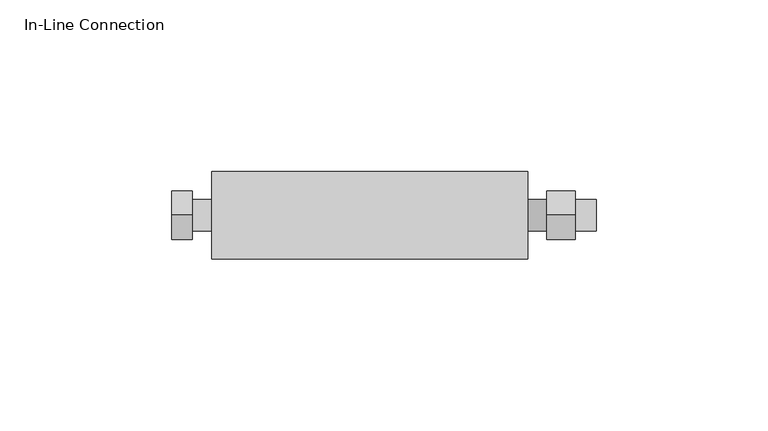
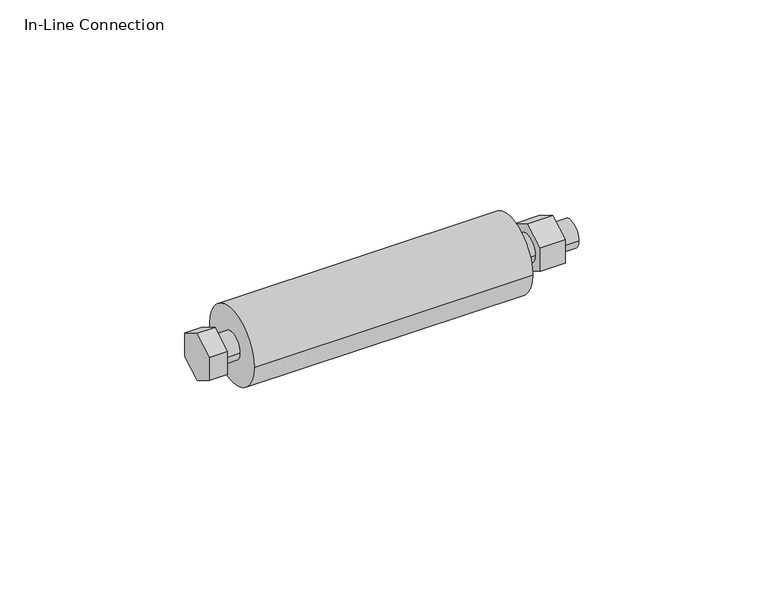
"""IFC4 building model written with IfcOpenShell, lengths in millimetres: furniture geometry, In-Line Connection."""

from ifc_helpers import new_model, si_unit, frame, origin, place, context, project, spatial, circle_curve, source, transform, mapped, element, save
from ifc_brep_helpers import plane_surface, cylinder_surface, advanced_brep


def in_line_connection_7f068b65(model_context):
    return source(origin(), model_context, "Body", "AdvancedBrep", [
        advanced_brep(
        [(-51.5558874, -38.7016666, 473.786512), (-51.5558874, -45.7858034, 469.7541273), (-51.5558874, -45.8357242, 461.6028926), (-51.5558874, -38.8015083, 457.4840425), (-51.5558874, -31.7173715, 461.5164272), (-51.5558874, -31.6674507, 469.667662), (-51.5558874, -43.2953145, 465.6352773), (-51.5558874, -34.2078604, 465.6352773), (-57.5056015, -38.7016666, 473.786512), (-57.5056015, -31.6674507, 469.667662), (-57.5056015, -31.7173715, 461.5164272), (-57.5056015, -38.8015083, 457.4840425), (-57.5056015, -45.8357242, 461.6028926), (-57.5056015, -45.7858034, 469.7541273), (-45.973997, -34.2078604, 465.6352773), (-45.973997, -43.2953145, 465.6352773), (45.9758779, -26.0627283, 465.6352773), (45.9758779, -51.4404466, 465.6352773), (45.9758779, -43.2953145, 465.6352773), (45.9758779, -34.2078604, 465.6352773), (-45.973997, -26.0627283, 465.6352773), (-45.973997, -51.4404466, 465.6352773), (51.5614603, -43.2953145, 465.6352773), (51.5614603, -34.2078604, 465.6352773), (51.5614603, -38.7016666, 473.786512), (51.5614603, -31.6674507, 469.667662), (51.5614603, -31.7173715, 461.5164272), (51.5614603, -38.8015083, 457.4840425), (51.5614603, -45.8357242, 461.6028926), (51.5614603, -45.7858034, 469.7541273), (59.9070492, -38.7016666, 473.786512), (59.9070492, -45.7858034, 469.7541273), (59.9070492, -45.8357242, 461.6028926), (59.9070492, -38.8015083, 457.4840425), (59.9070492, -31.7173715, 461.5164272), (59.9070492, -31.6674507, 469.667662), (59.9070492, -34.2078604, 465.6352773), (59.9070492, -43.2953145, 465.6352773), (65.9130007, -43.2953145, 465.6352773), (65.9130007, -34.2078604, 465.6352773)],
        [
            (0, 1),
            (1, 2),
            (2, 3),
            (3, 4),
            (4, 5),
            (5, 0),
            (6, 7, circle_curve(frame((-51.5558874, -38.7515875, 465.6352773), z_axis=(-1.0, 0.0, 0.0), x_axis=(0.0, -1.0, 0.0)), 4.543727)),
            (7, 6, circle_curve(frame((-51.5558874, -38.7515875, 465.6352773), z_axis=(-1.0, 0.0, 0.0), x_axis=(0.0, -1.0, 0.0)), 4.543727)),
            (8, 9),
            (9, 10),
            (10, 11),
            (11, 12),
            (12, 13),
            (13, 8),
            (0, 8),
            (13, 1),
            (12, 2),
            (11, 3),
            (10, 4),
            (9, 5),
            (14, 7),
            (6, 15),
            (15, 14, circle_curve(frame((-45.973997, -38.7515875, 465.6352773), z_axis=(-1.0, 0.0, 0.0), x_axis=(0.0, -1.0, 0.0)), 4.543727)),
            (14, 15, circle_curve(frame((-45.973997, -38.7515875, 465.6352773), z_axis=(-1.0, 0.0, 0.0), x_axis=(0.0, -1.0, 0.0)), 4.543727)),
            (16, 17, circle_curve(frame((45.9758779, -38.7515875, 465.6352773), z_axis=(1.0, 0.0, 0.0), x_axis=(0.0, -1.0, 0.0)), 12.6888592)),
            (17, 16, circle_curve(frame((45.9758779, -38.7515875, 465.6352773), z_axis=(1.0, 0.0, 0.0), x_axis=(0.0, -1.0, 0.0)), 12.6888592)),
            (18, 19, circle_curve(frame((45.9758779, -38.7515875, 465.6352773), z_axis=(-1.0, 0.0, 0.0), x_axis=(0.0, -1.0, 0.0)), 4.543727)),
            (19, 18, circle_curve(frame((45.9758779, -38.7515875, 465.6352773), z_axis=(-1.0, 0.0, 0.0), x_axis=(0.0, -1.0, 0.0)), 4.543727)),
            (20, 21, circle_curve(frame((-45.973997, -38.7515875, 465.6352773), z_axis=(-1.0, 0.0, 0.0), x_axis=(0.0, -1.0, 0.0)), 12.6888592)),
            (21, 20, circle_curve(frame((-45.973997, -38.7515875, 465.6352773), z_axis=(-1.0, 0.0, 0.0), x_axis=(0.0, -1.0, 0.0)), 12.6888592)),
            (16, 20),
            (21, 17),
            (18, 22),
            (22, 23, circle_curve(frame((51.5614603, -38.7515875, 465.6352773), z_axis=(-1.0, 0.0, 0.0), x_axis=(0.0, -1.0, 0.0)), 4.543727)),
            (23, 19),
            (23, 22, circle_curve(frame((51.5614603, -38.7515875, 465.6352773), z_axis=(-1.0, 0.0, 0.0), x_axis=(0.0, -1.0, 0.0)), 4.543727)),
            (24, 25),
            (25, 26),
            (26, 27),
            (27, 28),
            (28, 29),
            (29, 24),
            (30, 31),
            (31, 32),
            (32, 33),
            (33, 34),
            (34, 35),
            (35, 30),
            (36, 37, circle_curve(frame((59.9070492, -38.7515875, 465.6352773), z_axis=(-1.0, 0.0, 0.0), x_axis=(0.0, 1.0, 0.0)), 4.543727)),
            (37, 36, circle_curve(frame((59.9070492, -38.7515875, 465.6352773), z_axis=(-1.0, 0.0, 0.0), x_axis=(0.0, 1.0, 0.0)), 4.543727)),
            (29, 31),
            (30, 24),
            (28, 32),
            (27, 33),
            (26, 34),
            (25, 35),
            (38, 39, circle_curve(frame((65.9130007, -38.7515875, 465.6352773), z_axis=(1.0, 0.0, 0.0), x_axis=(0.0, 1.0, 0.0)), 4.543727)),
            (39, 38, circle_curve(frame((65.9130007, -38.7515875, 465.6352773), z_axis=(1.0, 0.0, 0.0), x_axis=(0.0, 1.0, 0.0)), 4.543727)),
            (38, 37),
            (36, 39),
        ],
        [
            plane_surface(frame((-51.5558874, -38.7016666, 473.786512), z_axis=(1.0, 0.0, 0.0), x_axis=(0.0, -0.8690712682551031, -0.49468690167970564))),
            plane_surface(frame((-57.5056015, -38.7016666, 473.786512), z_axis=(-1.0, 0.0, 0.0), x_axis=(0.0, 0.8690712682551031, 0.49468690167970564))),
            plane_surface(frame((-51.5558874, -38.7016666, 473.786512), z_axis=(0.0, -0.49468690167970564, 0.8690712682551031), x_axis=(-1.0, 0.0, 0.0))),
            plane_surface(frame((-51.5558874, -45.7858034, 469.7541273), z_axis=(0.0, -0.9999812468479327, 0.006124210353511329), x_axis=(-1.0, 0.0, 0.0))),
            plane_surface(frame((-51.5558874, -45.8357242, 461.6028926), z_axis=(0.0, -0.5052943451682294, -0.8629470579015901), x_axis=(-1.0, 0.0, 0.0))),
            plane_surface(frame((-51.5558874, -38.8015083, 457.4840425), z_axis=(0.0, 0.49468690167970475, -0.8690712682551036), x_axis=(-1.0, 0.0, 0.0))),
            plane_surface(frame((-51.5558874, -31.7173715, 461.5164272), z_axis=(0.0, 0.9999812468479327, -0.006124210353513924), x_axis=(-1.0, 0.0, 0.0))),
            plane_surface(frame((-51.5558874, -31.6674507, 469.667662), z_axis=(0.0, 0.5052943451682274, 0.8629470579015913), x_axis=(-1.0, 0.0, 0.0))),
            cylinder_surface(frame((-51.5558874, -38.7515875, 465.6352773), z_axis=(1.0, 0.0, 0.0), x_axis=(0.0, -1.0, 0.0)), 4.543727),
            plane_surface(frame((45.9758779, -51.4404466, 465.6352773), z_axis=(1.0, 0.0, 0.0), x_axis=(0.0, 0.0, -1.0))),
            plane_surface(frame((-45.973997, -51.4404466, 465.6352773), z_axis=(-1.0, 0.0, 0.0), x_axis=(0.0, 0.0, 1.0))),
            cylinder_surface(frame((-45.973997, -38.7515875, 465.6352773), z_axis=(1.0, 0.0, 0.0), x_axis=(0.0, -1.0, 0.0)), 12.6888592),
            cylinder_surface(frame((51.5614603, -38.7515875, 465.6352773), z_axis=(-1.0, 0.0, 0.0), x_axis=(0.0, -1.0, 0.0)), 4.543727),
            plane_surface(frame((51.5614603, -31.6674507, 469.667662), z_axis=(-1.0, 0.0, 0.0), x_axis=(0.0, 0.8629470579015913, -0.5052943451682274))),
            plane_surface(frame((59.9070492, -31.6674507, 469.667662), z_axis=(1.0, 0.0, 0.0), x_axis=(0.0, -0.8629470579015913, 0.5052943451682274))),
            plane_surface(frame((51.5614603, -45.7858034, 469.7541273), z_axis=(0.0, -0.49468690167970564, 0.8690712682551031), x_axis=(1.0, 0.0, 0.0))),
            plane_surface(frame((51.5614603, -45.8357242, 461.6028926), z_axis=(0.0, -0.9999812468479327, 0.006124210353511329), x_axis=(1.0, 0.0, 0.0))),
            plane_surface(frame((51.5614603, -38.8015083, 457.4840425), z_axis=(0.0, -0.5052943451682294, -0.8629470579015901), x_axis=(1.0, 0.0, 0.0))),
            plane_surface(frame((51.5614603, -31.7173715, 461.5164272), z_axis=(0.0, 0.49468690167970475, -0.8690712682551036), x_axis=(1.0, 0.0, 0.0))),
            plane_surface(frame((51.5614603, -31.6674507, 469.667662), z_axis=(0.0, 0.9999812468479327, -0.006124210353513924), x_axis=(1.0, 0.0, 0.0))),
            plane_surface(frame((51.5614603, -38.7016666, 473.786512), z_axis=(0.0, 0.5052943451682274, 0.8629470579015913), x_axis=(1.0, 0.0, 0.0))),
            plane_surface(frame((65.9130007, -34.2078604, 465.6352773), z_axis=(1.0, 0.0, 0.0), x_axis=(0.0, 0.0, 1.0))),
            cylinder_surface(frame((59.9070492, -38.7515875, 465.6352773), z_axis=(1.0, 0.0, 0.0), x_axis=(0.0, 1.0, 0.0)), 4.543727),
        ],
        [
            (0, [[1, 2, 3, 4, 5, 6], [7, 8]]),
            (1, [[9, 10, 11, 12, 13, 14]]),
            (2, [[-1, 15, -14, 16]]),
            (3, [[-2, -16, -13, 17]]),
            (4, [[-3, -17, -12, 18]]),
            (5, [[-4, -18, -11, 19]]),
            (6, [[-5, -19, -10, 20]]),
            (7, [[-6, -20, -9, -15]]),
            (8, [[21, -7, 22, 23]]),
            (8, [[-21, 24, -22, -8]]),
            (9, [[25, 26], [27, 28]]),
            (10, [[29, 30], [-23, -24]]),
            (11, [[-25, 31, -30, 32]]),
            (11, [[-26, -32, -29, -31]]),
            (12, [[33, 34, 35, -27]]),
            (12, [[-33, -28, -35, 36]]),
            (13, [[37, 38, 39, 40, 41, 42], [-34, -36]]),
            (14, [[43, 44, 45, 46, 47, 48], [49, 50]]),
            (15, [[-42, 51, -43, 52]]),
            (16, [[-41, 53, -44, -51]]),
            (17, [[-40, 54, -45, -53]]),
            (18, [[-39, 55, -46, -54]]),
            (19, [[-38, 56, -47, -55]]),
            (20, [[-37, -52, -48, -56]]),
            (21, [[57, 58]]),
            (22, [[-57, 59, -49, 60]]),
            (22, [[-58, -60, -50, -59]]),
        ],
    ),
    ])


if __name__ == "__main__":
    model = new_model("IFC4")
    model_context = context("Model", 3, world=origin())
    ifc_project = project(units=[si_unit("LENGTHUNIT", "METRE", prefix="MILLI")], contexts=[model_context])
    site = spatial("IfcSite", under=ifc_project)
    building = spatial("IfcBuilding", under=site)
    placement = place(None, origin())
    in_line_connection_shape = in_line_connection_7f068b65(model_context)
    element("IfcFurniture", 1, ObjectType="In-Line Connection", at=placement, inside=building, context=model_context, shape_type="MappedRepresentation", body=[
        mapped(in_line_connection_shape, transform((0.0, 0.0, 0.0), x_axis=(1.0, 0.0, 0.0), y_axis=(0.0, 1.0, 0.0), z_axis=(0.0, 0.0, 1.0))),
    ])
    save(model, "model.ifc")
